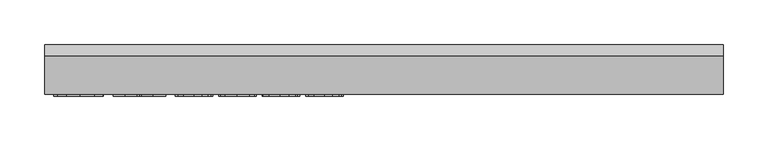
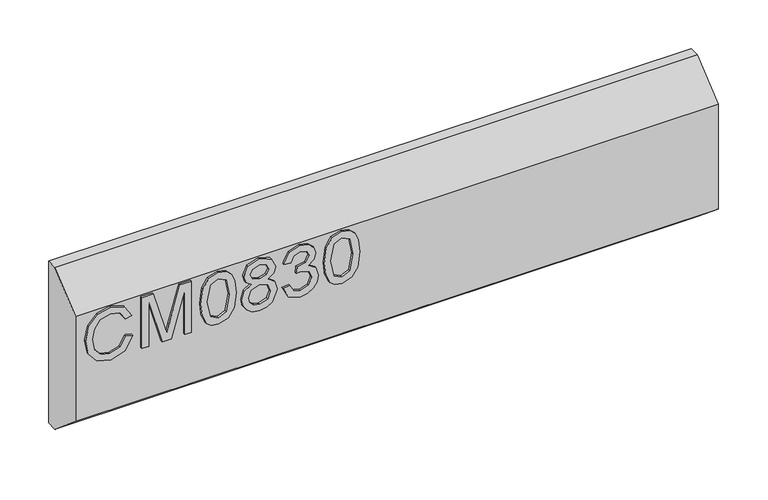
"""IFC4 building model written with IfcOpenShell, lengths in millimetres: furniture geometry."""

from ifc_helpers import new_model, si_unit, frame, origin, place, context, project, spatial, polyline, outline, extrude, source, transform, mapped, element, save


def furniture_fc32cb00(model_context):
    return source(origin(), model_context, "Body", "SweptSolid", [
        extrude(outline(polyline([(276.6752652, -246.6208225), (264.9327171, -253.3875826), (260.9770047, -265.5895539), (263.8814943, -276.5923526), (272.657258, -284.0832884), (286.3932359, -286.4894206), (298.2447997, -284.4570565), (307.4021183, -277.4099703), (310.8127523, -264.9354597), (307.7369522, -254.1584793), (297.9333263, -247.6175374), (299.8333141, -239.6438178), (313.8184708, -248.6531866), (318.7864719, -264.6239863), (314.947562, -279.9484787), (303.7111582, -290.6865249), (286.3776623, -294.4631402), (269.3244924, -291.1225877), (257.1926026, -281.3890433), (253.003285, -264.7952967), (258.5397251, -248.1003212), (274.6195406, -238.6471029), (276.6752652, -246.6208225)])), frame((0.0, -48.4187439, 0.0), z_axis=(0.0, 1.0, 0.0), x_axis=(0.0, 0.0, 1.0)), (0.0, 0.0, 1.0), 2.38125),
        extrude(outline(polyline([(254.0, -227.6832384), (254.0, -219.7095188), (309.8160373, -219.7095188), (254.0, -203.6842112), (254.0, -192.8760834), (309.8160373, -176.8507758), (254.0, -176.8507758), (254.0, -168.8770562), (317.7897569, -168.8770562), (317.7897569, -182.5974605), (273.607252, -195.4301655), (263.4376447, -198.2801473), (272.8285684, -200.9120977), (317.7897569, -213.9628341), (317.7897569, -227.6832384), (254.0, -227.6832384)])), frame((0.0, -48.4187439, 0.0), z_axis=(0.0, 1.0, 0.0), x_axis=(0.0, 0.0, 1.0)), (0.0, 0.0, 1.0), 2.38125),
        extrude(outline(polyline([(285.3809473, -157.9131917), (269.8656775, -156.3246773), (259.0770168, -151.5591339), (254.521718, -145.2673708), (253.003285, -136.9821777), (256.4995742, -125.3097112), (267.1052443, -118.3716407), (285.3809473, -116.0511637), (300.3706058, -117.4995152), (309.8082505, -121.2371962), (315.7340324, -127.6691224), (317.7897569, -136.9821777), (314.3168283, -148.6079232), (303.7345188, -155.5693542), (285.3809473, -157.9131917)]), holes=[polyline([(285.396521, -149.9394721), (305.5488514, -146.0772017), (309.8160373, -137.0756198), (304.9726256, -127.6379751), (285.396521, -124.0248834), (265.6101718, -127.7625644), (260.9770047, -136.9821777), (265.5945982, -146.201791), (285.396521, -149.9394721)])]), frame((0.0, -48.4187439, 0.0), z_axis=(0.0, 1.0, 0.0), x_axis=(0.0, 0.0, 1.0)), (0.0, 0.0, 1.0), 2.38125),
        extrude(outline(polyline([(289.1342021, -97.4562004), (283.3407964, -106.0528669), (272.7818474, -109.0741591), (265.0242125, -107.6335945), (258.6643145, -103.3119008), (254.4185424, -96.6385827), (253.003285, -88.1431451), (254.4127023, -79.6477075), (258.640954, -72.9743894), (272.563816, -67.2121311), (282.8813731, -70.1166207), (289.1342021, -78.5964847), (294.063269, -71.5338248), (301.5775653, -69.205561), (313.0709346, -74.4383145), (317.7897569, -88.2521608), (313.1799503, -101.9414177), (301.7955967, -107.0807292), (294.0866295, -104.721318), (289.1342021, -97.4562004)]), holes=[polyline([(301.5619916, -99.1070095), (307.3865446, -96.2336672), (309.8160373, -88.1431451), (307.3320368, -80.0759834), (301.2037972, -77.1792806), (295.2858022, -79.9825414), (292.8718831, -88.049703), (295.3013758, -96.2803882), (301.5619916, -99.1070095)]), polyline([(273.0621735, -101.1004395), (281.5186769, -97.7287397), (284.8981635, -88.3456028), (281.4719559, -78.6899267), (272.8129947, -75.1858507), (264.3175571, -78.580911), (260.9770047, -88.0808504), (262.5655191, -95.0578551), (267.0585232, -99.7688906), (273.0621735, -101.1004395)])]), frame((0.0, -48.4187439, 0.0), z_axis=(0.0, 1.0, 0.0), x_axis=(0.0, 0.0, 1.0)), (0.0, 0.0, 1.0), 2.38125),
        extrude(outline(polyline([(270.9441542, -60.2351264), (258.0024335, -53.8966423), (253.003285, -39.9114856), (254.4672101, -31.3887941), (258.8589854, -24.4779775), (265.3532063, -19.8993182), (273.1244681, -18.3730984), (283.4965331, -21.425538), (288.947318, -30.1156464), (294.2267925, -23.5747046), (301.5775653, -21.3632433), (309.6213664, -23.6915071), (315.6016562, -30.419333), (317.7897569, -40.036075), (313.3512607, -52.7130433), (300.8456028, -59.2384115), (299.8488878, -51.2646918), (307.3242499, -47.3557004), (309.8160373, -39.7557489), (307.3476105, -32.2492394), (301.1103552, -29.3369629), (294.0710558, -33.35497), (291.8751682, -43.680314), (283.9014486, -44.5680133), (284.7735742, -38.9770653), (281.51089, -29.9131887), (273.2646312, -26.346818), (264.512228, -29.9443361), (260.9770047, -39.6311595), (263.5466604, -47.8618447), (271.9408691, -52.2614068), (270.9441542, -60.2351264)])), frame((0.0, -48.4187439, 0.0), z_axis=(0.0, 1.0, 0.0), x_axis=(0.0, 0.0, 1.0)), (0.0, 0.0, 1.0), 2.38125),
        extrude(outline(polyline([(285.3809473, -11.3960937), (269.8656775, -9.8075793), (259.0770168, -5.0420359), (254.521718, 1.2497272), (253.003285, 9.5349203), (256.4995742, 21.2073868), (267.1052443, 28.1454572), (285.3809473, 30.4659342), (300.3706058, 29.0175828), (309.8082505, 25.2799018), (315.7340324, 18.8479756), (317.7897569, 9.5349203), (314.3168283, -2.0908252), (303.7345188, -9.0522562), (285.3809473, -11.3960937)]), holes=[polyline([(285.396521, -3.4223741), (305.5488514, 0.4398963), (309.8160373, 9.4414782), (304.9726256, 18.8791229), (285.396521, 22.4922146), (265.6101718, 18.7545336), (260.9770047, 9.5349203), (265.5945982, 0.3153069), (285.396521, -3.4223741)])]), frame((0.0, -48.4187439, 0.0), z_axis=(0.0, 1.0, 0.0), x_axis=(0.0, 0.0, 1.0)), (0.0, 0.0, 1.0), 2.38125),
        extrude(outline(polyline([(9.5250061, 152.4), (-3.1749939, 152.4), (-46.0374939, 188.12002), (-46.0374939, 319.87998), (-3.1749939, 355.6), (9.5250061, 355.6), (9.5250061, 152.4)])), frame((-304.8, 0.0, 0.0), z_axis=(1.0, 0.0, 0.0), x_axis=(0.0, 1.0, 0.0)), (0.0, 0.0, 1.0), 762.0),
    ])


if __name__ == "__main__":
    model = new_model("IFC4")
    model_context = context("Model", 3, world=origin())
    ifc_project = project(units=[si_unit("LENGTHUNIT", "METRE", prefix="MILLI")], contexts=[model_context])
    site = spatial("IfcSite", under=ifc_project)
    building = spatial("IfcBuilding", under=site)
    placement = place(None, origin())
    furniture_shape = furniture_fc32cb00(model_context)
    element("IfcFurniture", 1, at=placement, inside=building, context=model_context, shape_type="MappedRepresentation", body=[
        mapped(furniture_shape, transform((0.0, 0.0, 0.0), x_axis=(1.0, 0.0, 0.0), y_axis=(0.0, 1.0, 0.0), z_axis=(0.0, 0.0, 1.0))),
    ])
    save(model, "model.ifc")
